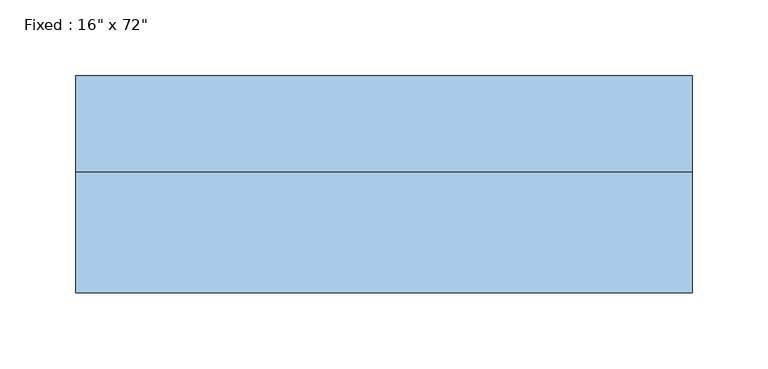
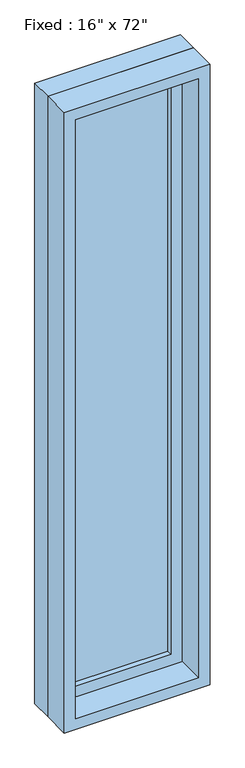
"""IFC4 building model written with IfcOpenShell, lengths in millimetres: window geometry."""

from ifc_helpers import new_model, si_unit, frame, origin, place, context, project, spatial, polyline, outline, extrude, source, transform, mapped, element, save


def window_eaf4ccb8(model_context):
    return source(origin(), model_context, "Body", "SweptSolid", [
        extrude(outline(polyline([(101.6, 23.8125), (-177.8, 23.8125), (-177.8, 36.5125), (101.6, 36.5125), (101.6, 23.8125)])), frame((0.0, 0.0, 368.3), z_axis=(0.0, 0.0, 1.0), x_axis=(1.0, 0.0, 0.0)), (0.0, 0.0, 1.0), 1701.8),
        extrude(outline(polyline([(2114.55, -222.25), (323.85, -222.25), (323.85, 146.05), (2114.55, 146.05), (2114.55, -222.25)]), holes=[polyline([(2070.1, -177.8), (2070.1, 101.6), (368.3, 101.6), (368.3, -177.8), (2070.1, -177.8)])]), frame((0.0, 7.9375, 0.0), z_axis=(0.0, 1.0, 0.0), x_axis=(0.0, 0.0, 1.0)), (0.0, 0.0, 1.0), 44.45),
        extrude(outline(polyline([(2133.6, -241.3), (304.8, -241.3), (304.8, 165.1), (2133.6, 165.1), (2133.6, -241.3)]), holes=[polyline([(2101.85, -209.55), (2101.85, 133.35), (336.55, 133.35), (336.55, -209.55), (2101.85, -209.55)])]), frame((0.0, -71.4375, 0.0), z_axis=(0.0, 1.0, 0.0), x_axis=(0.0, 0.0, 1.0)), (0.0, 0.0, 1.0), 79.375),
        extrude(outline(polyline([(2133.6, 165.1), (2133.6, -241.3), (304.8, -241.3), (304.8, 165.1), (2133.6, 165.1)]), holes=[polyline([(2114.55, 146.05), (323.85, 146.05), (323.85, -222.25), (2114.55, -222.25), (2114.55, 146.05)])]), frame((0.0, 7.9375, 0.0), z_axis=(0.0, 1.0, 0.0), x_axis=(0.0, 0.0, 1.0)), (0.0, 0.0, 1.0), 63.5),
    ])


if __name__ == "__main__":
    model = new_model("IFC4")
    model_context = context("Model", 3, world=origin())
    ifc_project = project(units=[si_unit("LENGTHUNIT", "METRE", prefix="MILLI")], contexts=[model_context])
    site = spatial("IfcSite", under=ifc_project)
    building = spatial("IfcBuilding", under=site)
    placement = place(None, origin())
    window_shape = window_eaf4ccb8(model_context)
    element("IfcWindow", 1, ObjectType="Fixed : 16\" x 72\"", at=placement, inside=building, context=model_context, shape_type="MappedRepresentation", body=[
        mapped(window_shape, transform((0.0, 0.0, 0.0), x_axis=(1.0, 0.0, 0.0), y_axis=(0.0, 1.0, 0.0), z_axis=(0.0, 0.0, 1.0))),
    ])
    save(model, "model.ifc")
